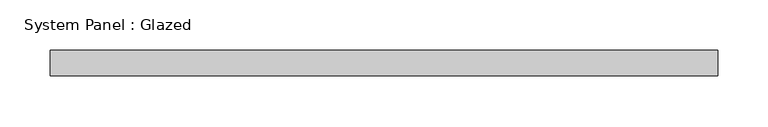
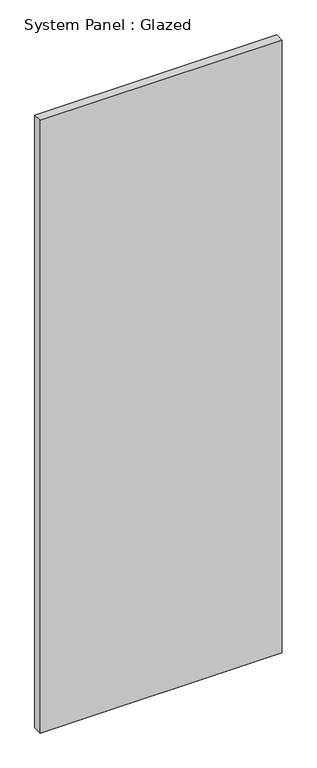
"""IFC4 building model written with IfcOpenShell, lengths in millimetres: plate geometry, System Panel : Glazed."""

from ifc_helpers import new_model, si_unit, origin, origin_with_axes, place, context, project, spatial, polyline, outline, extrude, source, transform, mapped, element, save


def system_panel_glazed_d21b4839(model_context):
    return source(origin(), model_context, "Body", "SweptSolid", [
        extrude(outline(polyline([(331.2583333, -44.45), (-331.2583333, -44.45), (-331.2583333, -19.05), (331.2583333, -19.05), (331.2583333, -44.45)])), origin_with_axes(), (0.0, 0.0, 1.0), 1771.65),
    ])


if __name__ == "__main__":
    model = new_model("IFC4")
    model_context = context("Model", 3, world=origin())
    ifc_project = project(units=[si_unit("LENGTHUNIT", "METRE", prefix="MILLI")], contexts=[model_context])
    site = spatial("IfcSite", under=ifc_project)
    building = spatial("IfcBuilding", under=site)
    placement = place(None, origin())
    system_panel_glazed_shape = system_panel_glazed_d21b4839(model_context)
    element("IfcPlate", 1, ObjectType="System Panel : Glazed", at=placement, inside=building, context=model_context, shape_type="MappedRepresentation", body=[
        mapped(system_panel_glazed_shape, transform((0.0, 0.0, 0.0), x_axis=(1.0, 0.0, 0.0), y_axis=(0.0, 1.0, 0.0), z_axis=(0.0, 0.0, 1.0))),
    ])
    save(model, "model.ifc")
